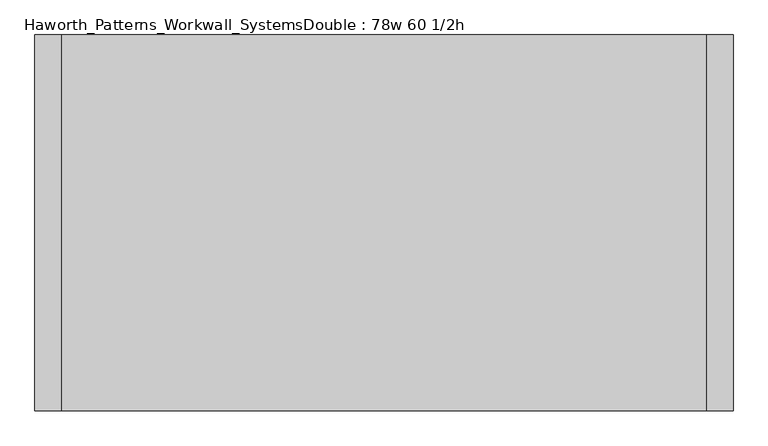
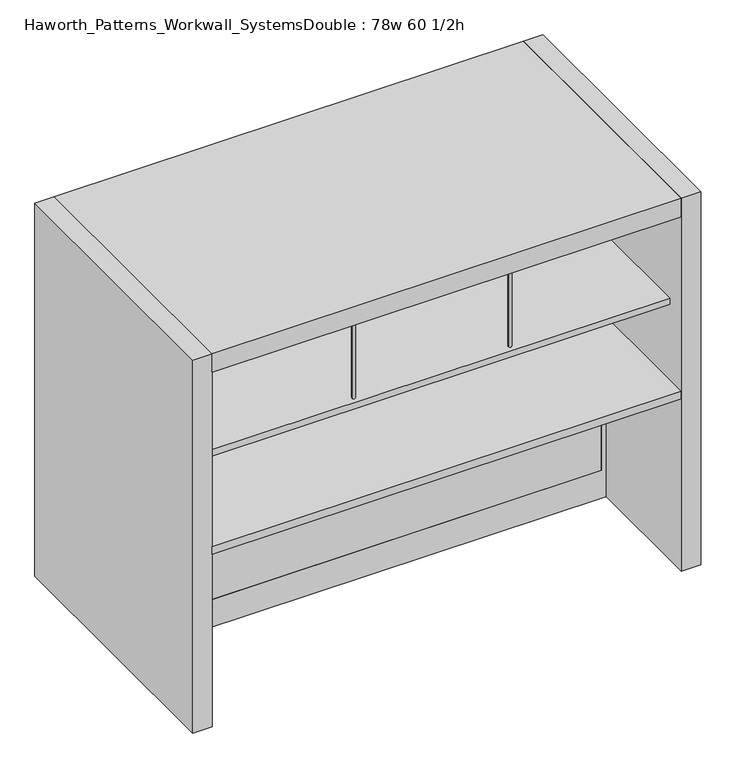
"""IFC4 building model written with IfcOpenShell, lengths in millimetres: furniture geometry, Haworth_Patterns_Workwall_SystemsDouble : 78w 60 1/2h."""

from ifc_helpers import new_model, si_unit, point, frame, frame_2d, origin, origin_with_axes, place, context, project, spatial, polyline, circle_curve, trimmed, segment, composite_curve, outline, extrude, source, transform, mapped, element, save


def haworth_patterns_workwall_systemsdouble_78w_60_1_2h_6a0e8b2d(model_context):
    return source(origin(), model_context, "Body", "SweptSolid", [
        extrude(outline(composite_curve([segment(trimmed(circle_curve(frame_2d((-914.4, 787.4)), 6.35), [point((-908.05, 787.4))], [point((-920.75, 787.4))], False, "CARTESIAN"), True, "CONTINUOUS"), segment(trimmed(circle_curve(frame_2d((-914.4, 787.4)), 6.35), [point((-920.75, 787.4))], [point((-908.05, 787.4))], False, "CARTESIAN"), True, "CONTINUOUS")], self_intersect=False)), frame((0.0, 0.0, 1079.5), z_axis=(0.0, 0.0, 1.0), x_axis=(1.0, 0.0, 0.0)), (0.0, 0.0, 1.0), 381.0),
        extrude(outline(composite_curve([segment(trimmed(circle_curve(frame_2d((-914.4, 406.4)), 6.35), [point((-908.05, 406.4))], [point((-920.75, 406.4))], False, "CARTESIAN"), True, "CONTINUOUS"), segment(trimmed(circle_curve(frame_2d((-914.4, 406.4)), 6.35), [point((-920.75, 406.4))], [point((-908.05, 406.4))], False, "CARTESIAN"), True, "CONTINUOUS")], self_intersect=False)), frame((0.0, 0.0, 1079.5), z_axis=(0.0, 0.0, 1.0), x_axis=(1.0, 0.0, 0.0)), (0.0, 0.0, 1.0), 381.0),
        extrude(outline(composite_curve([segment(trimmed(circle_curve(frame_2d((-304.8, 787.4)), 6.35), [point((-298.45, 787.4))], [point((-311.15, 787.4))], False, "CARTESIAN"), True, "CONTINUOUS"), segment(trimmed(circle_curve(frame_2d((-304.8, 787.4)), 6.35), [point((-311.15, 787.4))], [point((-298.45, 787.4))], False, "CARTESIAN"), True, "CONTINUOUS")], self_intersect=False)), frame((0.0, 0.0, 1079.5), z_axis=(0.0, 0.0, 1.0), x_axis=(1.0, 0.0, 0.0)), (0.0, 0.0, 1.0), 381.0),
        extrude(outline(composite_curve([segment(trimmed(circle_curve(frame_2d((-304.8, 406.4)), 6.35), [point((-298.45, 406.4))], [point((-311.15, 406.4))], False, "CARTESIAN"), True, "CONTINUOUS"), segment(trimmed(circle_curve(frame_2d((-304.8, 406.4)), 6.35), [point((-311.15, 406.4))], [point((-298.45, 406.4))], False, "CARTESIAN"), True, "CONTINUOUS")], self_intersect=False)), frame((0.0, 0.0, 1079.5), z_axis=(0.0, 0.0, 1.0), x_axis=(1.0, 0.0, 0.0)), (0.0, 0.0, 1.0), 381.0),
        extrude(outline(polyline([(-1524.0, 381.0), (-1524.0, 812.8), (304.8, 812.8), (304.8, 381.0), (-1524.0, 381.0)])), frame((0.0, 0.0, 1054.1), z_axis=(0.0, 0.0, 1.0), x_axis=(1.0, 0.0, 0.0)), (0.0, 0.0, 1.0), 25.4),
        extrude(outline(polyline([(304.8, 415.925), (-1524.0, 415.925), (-1524.0, 889.0), (304.8, 889.0), (304.8, 415.925)])), frame((0.0, 0.0, 711.2), z_axis=(0.0, 0.0, 1.0), x_axis=(1.0, 0.0, 0.0)), (0.0, 0.0, 1.0), 30.1625),
        extrude(outline(polyline([(-609.6, 333.375), (-1524.0, 333.375), (-1524.0, 352.425), (-609.6, 352.425), (-609.6, 333.375)])), frame((0.0, 0.0, 635.0), z_axis=(0.0, 0.0, 1.0), x_axis=(1.0, 0.0, 0.0)), (0.0, 0.0, 1.0), 825.5),
        extrude(outline(polyline([(304.8, 333.375), (-609.6, 333.375), (-609.6, 352.425), (304.8, 352.425), (304.8, 333.375)])), frame((0.0, 0.0, 635.0), z_axis=(0.0, 0.0, 1.0), x_axis=(1.0, 0.0, 0.0)), (0.0, 0.0, 1.0), 825.5),
        extrude(outline(composite_curve([segment(trimmed(circle_curve(frame_2d((-304.8, -76.2)), 6.35), [point((-311.15, -76.2))], [point((-298.45, -76.2))], False, "CARTESIAN"), True, "CONTINUOUS"), segment(trimmed(circle_curve(frame_2d((-304.8, -76.2)), 6.35), [point((-298.45, -76.2))], [point((-311.15, -76.2))], False, "CARTESIAN"), True, "CONTINUOUS")], self_intersect=False)), frame((0.0, 0.0, 1079.5), z_axis=(0.0, 0.0, 1.0), x_axis=(1.0, 0.0, 0.0)), (0.0, 0.0, 1.0), 381.0),
        extrude(outline(composite_curve([segment(trimmed(circle_curve(frame_2d((-304.8, 304.8)), 6.35), [point((-311.15, 304.8))], [point((-298.45, 304.8))], False, "CARTESIAN"), True, "CONTINUOUS"), segment(trimmed(circle_curve(frame_2d((-304.8, 304.8)), 6.35), [point((-298.45, 304.8))], [point((-311.15, 304.8))], False, "CARTESIAN"), True, "CONTINUOUS")], self_intersect=False)), frame((0.0, 0.0, 1079.5), z_axis=(0.0, 0.0, 1.0), x_axis=(1.0, 0.0, 0.0)), (0.0, 0.0, 1.0), 381.0),
        extrude(outline(composite_curve([segment(trimmed(circle_curve(frame_2d((-914.4, -76.2)), 6.35), [point((-920.75, -76.2))], [point((-908.05, -76.2))], False, "CARTESIAN"), True, "CONTINUOUS"), segment(trimmed(circle_curve(frame_2d((-914.4, -76.2)), 6.35), [point((-908.05, -76.2))], [point((-920.75, -76.2))], False, "CARTESIAN"), True, "CONTINUOUS")], self_intersect=False)), frame((0.0, 0.0, 1079.5), z_axis=(0.0, 0.0, 1.0), x_axis=(1.0, 0.0, 0.0)), (0.0, 0.0, 1.0), 381.0),
        extrude(outline(composite_curve([segment(trimmed(circle_curve(frame_2d((-914.4, 304.8)), 6.35), [point((-920.75, 304.8))], [point((-908.05, 304.8))], False, "CARTESIAN"), True, "CONTINUOUS"), segment(trimmed(circle_curve(frame_2d((-914.4, 304.8)), 6.35), [point((-908.05, 304.8))], [point((-920.75, 304.8))], False, "CARTESIAN"), True, "CONTINUOUS")], self_intersect=False)), frame((0.0, 0.0, 1079.5), z_axis=(0.0, 0.0, 1.0), x_axis=(1.0, 0.0, 0.0)), (0.0, 0.0, 1.0), 381.0),
        extrude(outline(polyline([(304.8, 330.2), (304.8, -101.6), (-1524.0, -101.6), (-1524.0, 330.2), (304.8, 330.2)])), frame((0.0, 0.0, 1054.1), z_axis=(0.0, 0.0, 1.0), x_axis=(1.0, 0.0, 0.0)), (0.0, 0.0, 1.0), 25.4),
        extrude(outline(polyline([(1460.5, 304.8), (1460.5, -1524.0), (635.0, -1524.0), (635.0, 304.8), (1460.5, 304.8)]), holes=[polyline([(1441.45, 285.75), (654.05, 285.75), (654.05, -1504.95), (1441.45, -1504.95), (1441.45, 285.75)])]), frame((0.0, 330.2, 0.0), z_axis=(0.0, 1.0, 0.0), x_axis=(0.0, 0.0, 1.0)), (0.0, 0.0, 1.0), 25.4),
        extrude(outline(polyline([(285.75, 330.2), (-1504.95, 330.2), (-1504.95, 355.6), (285.75, 355.6), (285.75, 330.2)])), frame((0.0, 0.0, 114.3), z_axis=(0.0, 0.0, 1.0), x_axis=(1.0, 0.0, 0.0)), (0.0, 0.0, 1.0), 495.3),
        extrude(outline(polyline([(-1524.0, 295.275), (304.8, 295.275), (304.8, -177.8), (-1524.0, -177.8), (-1524.0, 295.275)])), frame((0.0, 0.0, 711.2), z_axis=(0.0, 0.0, 1.0), x_axis=(1.0, 0.0, 0.0)), (0.0, 0.0, 1.0), 30.1625),
        extrude(outline(polyline([(635.0, 304.8), (635.0, -1524.0), (0.0, -1524.0), (0.0, 304.8), (635.0, 304.8)]), holes=[polyline([(609.6, 285.75), (114.3, 285.75), (114.3, -1504.95), (609.6, -1504.95), (609.6, 285.75)])]), frame((0.0, 330.2, 0.0), z_axis=(0.0, 1.0, 0.0), x_axis=(0.0, 0.0, 1.0)), (0.0, 0.0, 1.0), 25.4),
        extrude(outline(polyline([(304.8, -177.8), (-1524.0, -177.8), (-1524.0, 889.0), (304.8, 889.0), (304.8, -177.8)])), frame((0.0, 0.0, 1460.5), z_axis=(0.0, 0.0, 1.0), x_axis=(1.0, 0.0, 0.0)), (0.0, 0.0, 1.0), 76.2),
        extrude(outline(polyline([(381.0, 889.0), (381.0, -177.8), (304.8, -177.8), (304.8, 889.0), (381.0, 889.0)])), origin_with_axes(), (0.0, 0.0, 1.0), 1536.7),
        extrude(outline(polyline([(-1524.0, 889.0), (-1524.0, -177.8), (-1600.2, -177.8), (-1600.2, 889.0), (-1524.0, 889.0)])), origin_with_axes(), (0.0, 0.0, 1.0), 1536.7),
    ])


if __name__ == "__main__":
    model = new_model("IFC4")
    model_context = context("Model", 3, world=origin())
    ifc_project = project(units=[si_unit("LENGTHUNIT", "METRE", prefix="MILLI")], contexts=[model_context])
    site = spatial("IfcSite", under=ifc_project)
    building = spatial("IfcBuilding", under=site)
    placement = place(None, origin())
    haworth_patterns_workwall_systemsdouble_78w_60_1_2h_shape = haworth_patterns_workwall_systemsdouble_78w_60_1_2h_6a0e8b2d(model_context)
    element("IfcFurniture", 1, ObjectType="Haworth_Patterns_Workwall_SystemsDouble : 78w 60 1/2h", at=placement, inside=building, context=model_context, shape_type="MappedRepresentation", body=[
        mapped(haworth_patterns_workwall_systemsdouble_78w_60_1_2h_shape, transform((0.0, 0.0, 0.0), x_axis=(1.0, 0.0, 0.0), y_axis=(0.0, 1.0, 0.0), z_axis=(0.0, 0.0, 1.0))),
    ])
    save(model, "model.ifc")
